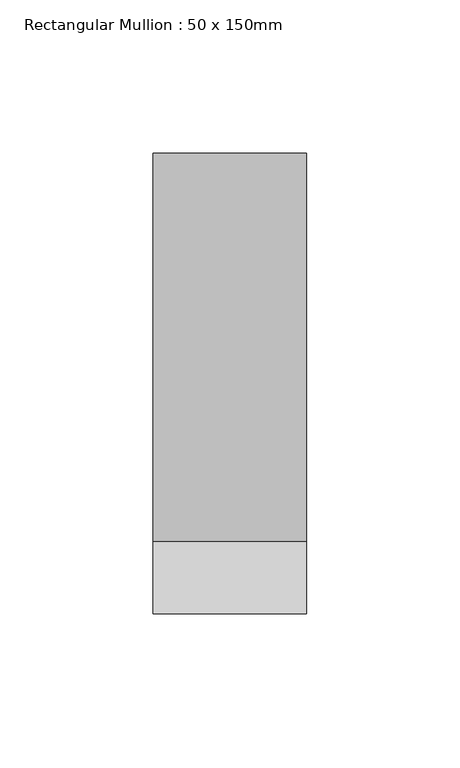
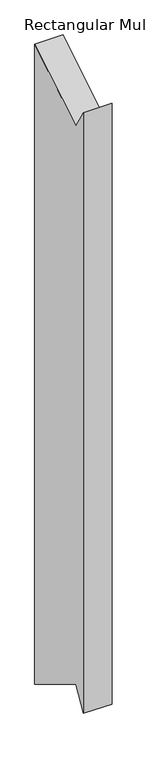
"""IFC4 building model written with IfcOpenShell, lengths in millimetres: member geometry, Rectangular Mullion : 50 x 150mm."""

import ifcopenshell
import ifcopenshell.guid

model = None  # the IFC model being written
_history = None  # IfcOwnerHistory: only IFC2X3 demands one
_inside = {}  # id of a spatial element -> (the spatial element, [elements in it])
_under = {}  # id of a project, library or spatial element -> (it, [spatial elements below it])
_declared = {}  # id of a project -> (the project, [libraries it declares])
_typed = {}  # id of a type object -> (the type object, [elements of that type])
_made_of = {}  # id of a material, layer set ... -> (it, [elements and type objects made of it])


def new_model(schema):
    """Start an empty IFC model of exactly this schema.

    Asked for "IFC4X3", IfcOpenShell would pick the latest addendum, in which some entities
    have other attributes; the version numbers below select the first issue.
    IFC2X3 requires an IfcOwnerHistory on every rooted entity: one is made here for all.
    """
    global model, _history
    if schema == "IFC4X3":
        model = ifcopenshell.file(schema_version=(4, 3, 0, 0))
    else:
        model = ifcopenshell.file(schema=schema)
    _inside.clear()
    _under.clear()
    _declared.clear()
    _typed.clear()
    _made_of.clear()
    _history = None
    if model.schema == "IFC2X3":
        org = make("IfcOrganization", Name="unknown")
        user = make(
            "IfcPersonAndOrganization",
            ThePerson=make("IfcPerson", FamilyName="unknown"),
            TheOrganization=org,
        )
        app = make(
            "IfcApplication",
            ApplicationDeveloper=org,
            Version="unknown",
            ApplicationFullName="unknown",
            ApplicationIdentifier="unknown",
        )
        _history = make(
            "IfcOwnerHistory",
            OwningUser=user,
            OwningApplication=app,
            ChangeAction="ADDED",
            CreationDate=0,
        )
    return model


def make(cls, **values):
    """One entity of the class cls with the attributes given. An attribute that is None is left unset."""
    return model.create_entity(
        cls, **{name: value for name, value in values.items() if value is not None}
    )


def rooted(cls, **values):
    """An entity with a GlobalId (a new one), such as an element, a storey or a relation."""
    return make(cls, GlobalId=ifcopenshell.guid.new(), OwnerHistory=_history, **values)


def si_unit(unit_type, name, prefix=None):
    """IfcSIUnit, for example si_unit("LENGTHUNIT", "METRE", prefix="MILLI")."""
    return make("IfcSIUnit", UnitType=unit_type, Prefix=prefix, Name=name)


def assignment(units):
    """IfcUnitAssignment: the units of a project."""
    return None if units is None else make("IfcUnitAssignment", Units=units)


def point(xyz):
    """IfcCartesianPoint."""
    return None if xyz is None else make("IfcCartesianPoint", Coordinates=xyz)


def direction(xyz):
    """IfcDirection."""
    return None if xyz is None else make("IfcDirection", DirectionRatios=xyz)


def frame(location, z_axis=None, x_axis=None):
    """IfcAxis2Placement3D, a coordinate frame: its origin and axes. An axis left out is left unset."""
    return make(
        "IfcAxis2Placement3D",
        Location=point(location),
        Axis=direction(z_axis),
        RefDirection=direction(x_axis),
    )


def origin():
    """The frame at (0, 0, 0) with its axes left unset."""
    return frame((0.0, 0.0, 0.0))


def place(relative_to, where):
    """IfcLocalPlacement: puts the frame where relative to a parent placement (None: the world)."""
    return make(
        "IfcLocalPlacement", PlacementRelTo=relative_to, RelativePlacement=where
    )


def context(
    kind, dimensions, precision=None, world=None, true_north=None, identifier=None
):
    """IfcGeometricRepresentationContext, for example the 3D "Model" context."""
    return make(
        "IfcGeometricRepresentationContext",
        ContextIdentifier=identifier,
        ContextType=kind,
        CoordinateSpaceDimension=dimensions,
        Precision=precision,
        WorldCoordinateSystem=world,
        TrueNorth=true_north,
    )


def project(units=None, contexts=None):
    """IfcProject with its units and contexts."""
    return rooted(
        "IfcProject",
        Name="project",
        RepresentationContexts=contexts,
        UnitsInContext=assignment(units),
    )


def spatial(cls, under=None, at=None, **own):
    """A site, building, storey or space (cls), placed at a placement, below another one or the project."""
    s = rooted(cls, ObjectPlacement=at, **own)
    if under is not None:
        _under.setdefault(under.id(), (under, []))[1].append(s)
    return s


def polyline(points):
    """IfcPolyline through the points."""
    return make("IfcPolyline", Points=[point(p) for p in points])


def outline(outer, holes=None, kind="AREA"):
    """IfcArbitraryClosedProfileDef: a profile drawn as a closed curve; with holes, ...WithVoids."""
    if holes is None:
        return make("IfcArbitraryClosedProfileDef", ProfileType=kind, OuterCurve=outer)
    return make(
        "IfcArbitraryProfileDefWithVoids",
        ProfileType=kind,
        OuterCurve=outer,
        InnerCurves=holes,
    )


def extrude(swept, where, along, depth):
    """IfcExtrudedAreaSolid: the profile swept, set in the frame where, extruded along a direction by depth."""
    return make(
        "IfcExtrudedAreaSolid",
        SweptArea=swept,
        Position=where,
        ExtrudedDirection=direction(along),
        Depth=depth,
    )


def shape(context_of_items, identifier, shape_type, items):
    """IfcShapeRepresentation: the items that make up one representation, for example the "Body"."""
    return make(
        "IfcShapeRepresentation",
        ContextOfItems=context_of_items,
        RepresentationIdentifier=identifier,
        RepresentationType=shape_type,
        Items=items,
    )


def source(mapping_origin, context_of_items, identifier, shape_type, items):
    """IfcRepresentationMap: a shape defined once, which mapped items show again and again."""
    return make(
        "IfcRepresentationMap",
        MappingOrigin=mapping_origin,
        MappedRepresentation=shape(context_of_items, identifier, shape_type, items),
    )


def transform(
    local_origin,
    x_axis=None,
    y_axis=None,
    z_axis=None,
    scale=None,
    scale2=None,
    scale3=None,
    uniform=True,
):
    """IfcCartesianTransformationOperator3D, or its non-uniform kind. x_axis, y_axis, z_axis: its Axis1, 2, 3."""
    if uniform:
        return make(
            "IfcCartesianTransformationOperator3D",
            Axis1=direction(x_axis),
            Axis2=direction(y_axis),
            LocalOrigin=point(local_origin),
            Scale=scale,
            Axis3=direction(z_axis),
        )
    return make(
        "IfcCartesianTransformationOperator3DnonUniform",
        Axis1=direction(x_axis),
        Axis2=direction(y_axis),
        LocalOrigin=point(local_origin),
        Scale=scale,
        Axis3=direction(z_axis),
        Scale2=scale2,
        Scale3=scale3,
    )


def mapped(mapping_source, mapping_target):
    """IfcMappedItem: shows the shape of a source again, moved by a transform."""
    return make(
        "IfcMappedItem", MappingSource=mapping_source, MappingTarget=mapping_target
    )


def made_of(thing, what):
    """Note that an element or type object is made of a material, layer set ...; save() writes the relation."""
    if what is not None:
        _made_of.setdefault(what.id(), (what, []))[1].append(thing)
    return thing


def element(
    cls,
    number,
    at=None,
    inside=None,
    cuts=None,
    type_object=None,
    material=None,
    context=None,
    identifier="Body",
    shape_type=None,
    held_by="IfcProductDefinitionShape",
    body=None,
    shapes=None,
    **own,
):
    """One element of the class cls, such as IfcWall. Its Tag is "e" and its number.

    at: its placement. inside: the storey or other place that contains it. cuts: it is an
    opening in that element (IfcRelVoidsElement). A single representation is given by context,
    identifier, shape_type and body (its items); several are given by shapes. held_by: the class
    of the entity that holds the representations. save() writes the other relations.
    """
    e = rooted(cls, Tag="e%d" % number, ObjectPlacement=at, **own)
    if body is not None:
        shapes = [shape(context, identifier, shape_type, body)]
    if shapes is not None:
        e.Representation = make(held_by, Representations=shapes)
    if inside is not None:
        _inside.setdefault(inside.id(), (inside, []))[1].append(e)
    if cuts is not None:
        rooted(
            "IfcRelVoidsElement", RelatingBuildingElement=cuts, RelatedOpeningElement=e
        )
    if type_object is not None:
        _typed.setdefault(type_object.id(), (type_object, []))[1].append(e)
    return made_of(e, material)


def aggregate(whole, parts):
    """IfcRelAggregates: a whole, such as a stair, and the parts it consists of."""
    return rooted("IfcRelAggregates", RelatingObject=whole, RelatedObjects=parts)


def save(model, path):
    """Write the relations noted so far, then the file.

    IfcRelAggregates (storeys below a building ...), IfcRelContainedInSpatialStructure (elements
    in a storey), IfcRelDefinesByType, IfcRelAssociatesMaterial and IfcRelDeclares: one each for
    every whole, place, type object, material and project.
    """
    for whole, parts in _under.values():
        aggregate(whole, parts)
    for where, things in _inside.values():
        rooted(
            "IfcRelContainedInSpatialStructure",
            RelatedElements=things,
            RelatingStructure=where,
        )
    for kind, things in _typed.values():
        rooted("IfcRelDefinesByType", RelatedObjects=things, RelatingType=kind)
    for what, things in _made_of.values():
        rooted("IfcRelAssociatesMaterial", RelatedObjects=things, RelatingMaterial=what)
    for by, libraries in _declared.values():
        rooted("IfcRelDeclares", RelatingContext=by, RelatedDefinitions=libraries)
    model.write(path)


def rectangular_mullion_50_x_150mm_70872fcb(model_context):
    return source(origin(), model_context, "Body", "SweptSolid", [
        extrude(outline(polyline([(-75.0, 4.1738154), (-51.3716673, -35.0911957), (75.0, 40.9549258), (75.0, -1156.7376439), (-51.3716673, -1080.6915225), (-75.0, -1119.9565335), (-75.0, 4.1738154)])), frame((-50.0, 0.0, 0.0), z_axis=(1.0, 0.0, 0.0), x_axis=(0.0, 1.0, 0.0)), (0.0, 0.0, 1.0), 50.0),
    ])


if __name__ == "__main__":
    model = new_model("IFC4")
    model_context = context("Model", 3, world=origin())
    ifc_project = project(units=[si_unit("LENGTHUNIT", "METRE", prefix="MILLI")], contexts=[model_context])
    site = spatial("IfcSite", under=ifc_project)
    building = spatial("IfcBuilding", under=site)
    placement = place(None, origin())
    rectangular_mullion_50_x_150mm_shape = rectangular_mullion_50_x_150mm_70872fcb(model_context)
    element("IfcMember", 1, ObjectType="Rectangular Mullion : 50 x 150mm", at=placement, inside=building, context=model_context, shape_type="MappedRepresentation", body=[
        mapped(rectangular_mullion_50_x_150mm_shape, transform((0.0, 0.0, 0.0), x_axis=(1.0, 0.0, 0.0), y_axis=(0.0, 1.0, 0.0), z_axis=(0.0, 0.0, 1.0))),
    ])
    save(model, "model.ifc")
